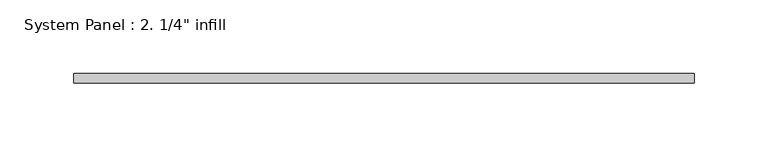
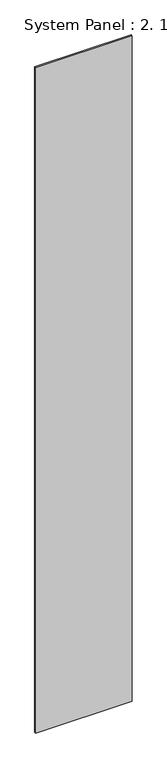
"""IFC4 building model written with IfcOpenShell, lengths in millimetres: plate geometry."""

from ifc_helpers import new_model, si_unit, origin, origin_with_axes, place, context, project, spatial, polyline, outline, extrude, source, transform, mapped, element, save


def plate_96332e27(model_context):
    return source(origin(), model_context, "Body", "SweptSolid", [
        extrude(outline(polyline([(209.55, 0.0), (-209.55, 0.0), (-209.55, 6.35), (209.55, 6.35), (209.55, 0.0)])), origin_with_axes(), (0.0, 0.0, 1.0), 3048.0),
    ])


if __name__ == "__main__":
    model = new_model("IFC4")
    model_context = context("Model", 3, world=origin())
    ifc_project = project(units=[si_unit("LENGTHUNIT", "METRE", prefix="MILLI")], contexts=[model_context])
    site = spatial("IfcSite", under=ifc_project)
    building = spatial("IfcBuilding", under=site)
    placement = place(None, origin())
    plate_shape = plate_96332e27(model_context)
    element("IfcPlate", 1, ObjectType="System Panel : 2. 1/4\" infill", at=placement, inside=building, context=model_context, shape_type="MappedRepresentation", body=[
        mapped(plate_shape, transform((0.0, 0.0, 0.0), x_axis=(1.0, 0.0, 0.0), y_axis=(0.0, 1.0, 0.0), z_axis=(0.0, 0.0, 1.0))),
    ])
    save(model, "model.ifc")
